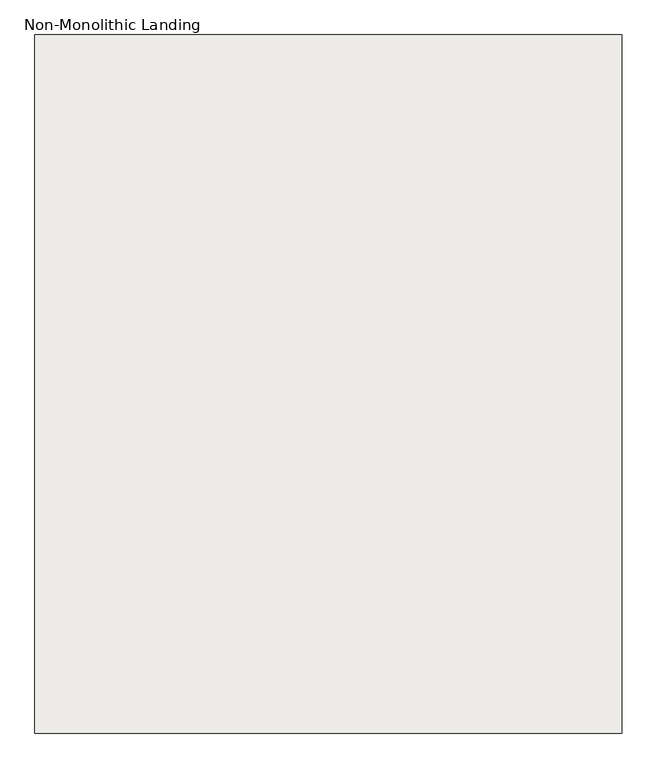
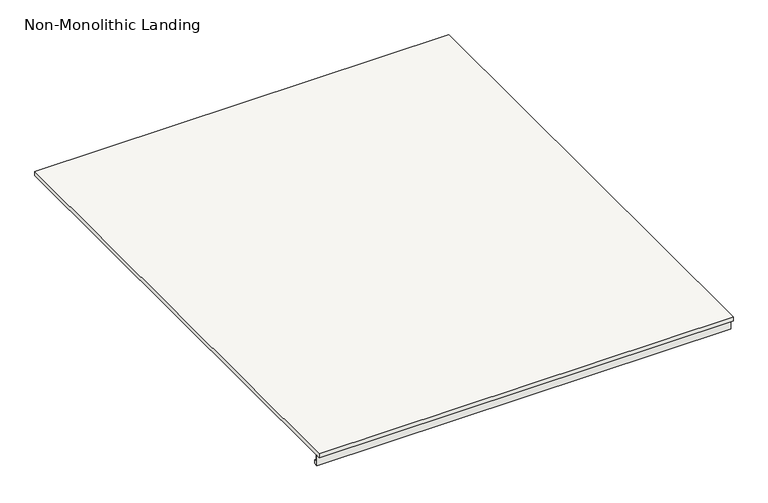
"""IFC4 building model written with IfcOpenShell, lengths in millimetres: slab geometry, Non-Monolithic Landing."""

from ifc_helpers import new_model, si_unit, frame, origin, place, context, project, spatial, polyline, outline, extrude, source, transform, mapped, element, save


def non_monolithic_landing_f508e38c(model_context):
    return source(origin(), model_context, "Body", "SweptSolid", [
        extrude(outline(polyline([(-9238.9832568, 5638.0), (-9238.9832568, 5628.0), (-10415.6889024, 5628.0), (-10415.6889024, 5611.3650264), (-10409.7889347, 5611.3780294), (-10409.7889347, 5602.1193807), (-10418.9832568, 5602.1193807), (-10418.9832568, 5628.0), (-10428.9832568, 5628.0), (-10428.9832568, 5638.0), (-9238.9832568, 5638.0)])), frame((-8622.7515248, 0.0, 0.0), z_axis=(1.0, 0.0, 0.0), x_axis=(0.0, 1.0, 0.0)), (0.0, 0.0, 1.0), 1000.0),
    ])


if __name__ == "__main__":
    model = new_model("IFC4")
    model_context = context("Model", 3, world=origin())
    ifc_project = project(units=[si_unit("LENGTHUNIT", "METRE", prefix="MILLI")], contexts=[model_context])
    site = spatial("IfcSite", under=ifc_project)
    building = spatial("IfcBuilding", under=site)
    placement = place(None, origin())
    non_monolithic_landing_shape = non_monolithic_landing_f508e38c(model_context)
    element("IfcSlab", 1, ObjectType="Non-Monolithic Landing", at=placement, inside=building, context=model_context, shape_type="MappedRepresentation", body=[
        mapped(non_monolithic_landing_shape, transform((0.0, 0.0, 0.0), x_axis=(1.0, 0.0, 0.0), y_axis=(0.0, 1.0, 0.0), z_axis=(0.0, 0.0, 1.0))),
    ])
    save(model, "model.ifc")
